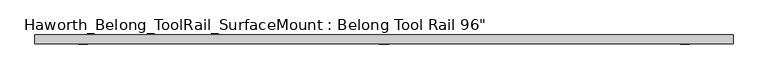
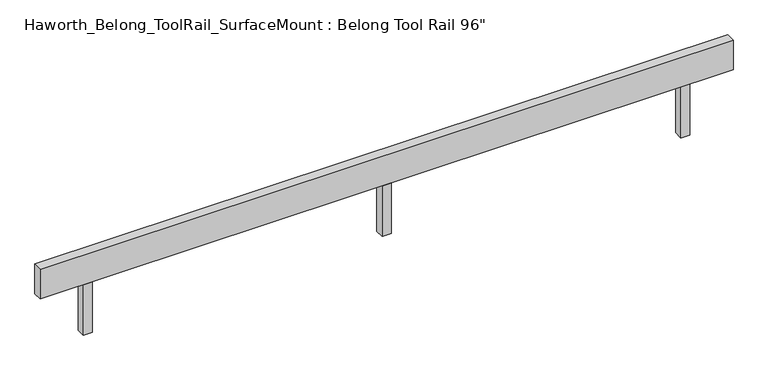
"""IFC4 building model written with IfcOpenShell, lengths in millimetres: furniture geometry."""

from ifc_helpers import new_model, si_unit, frame, origin, place, context, project, spatial, polyline, outline, extrude, source, transform, mapped, element, save


def furniture_a17a7a6d(model_context):
    return source(origin(), model_context, "Body", "SweptSolid", [
        extrude(outline(polyline([(15.875, 15.875), (15.875, -15.875), (-15.875, -15.875), (-15.875, 15.875), (15.875, 15.875)])), frame((0.0, 0.0, 762.0), z_axis=(0.0, 0.0, 1.0), x_axis=(1.0, 0.0, 0.0)), (0.0, 0.0, 1.0), 188.9125),
        extrude(outline(polyline([(1219.2, 15.875), (1219.2, -15.875), (-1219.2, -15.875), (-1219.2, 15.875), (1219.2, 15.875)])), frame((0.0, 0.0, 950.9125), z_axis=(0.0, 0.0, 1.0), x_axis=(1.0, 0.0, 0.0)), (0.0, 0.0, 1.0), 111.125),
        extrude(outline(polyline([(-1066.8, 15.875), (-1035.05, 15.875), (-1035.05, -15.875), (-1066.8, -15.875), (-1066.8, 15.875)])), frame((0.0, 0.0, 762.0), z_axis=(0.0, 0.0, 1.0), x_axis=(1.0, 0.0, 0.0)), (0.0, 0.0, 1.0), 188.9125),
        extrude(outline(polyline([(1035.05, 15.875), (1066.8, 15.875), (1066.8, -15.875), (1035.05, -15.875), (1035.05, 15.875)])), frame((0.0, 0.0, 762.0), z_axis=(0.0, 0.0, 1.0), x_axis=(1.0, 0.0, 0.0)), (0.0, 0.0, 1.0), 188.9125),
    ])


if __name__ == "__main__":
    model = new_model("IFC4")
    model_context = context("Model", 3, world=origin())
    ifc_project = project(units=[si_unit("LENGTHUNIT", "METRE", prefix="MILLI")], contexts=[model_context])
    site = spatial("IfcSite", under=ifc_project)
    building = spatial("IfcBuilding", under=site)
    placement = place(None, origin())
    furniture_shape = furniture_a17a7a6d(model_context)
    element("IfcFurniture", 1, ObjectType="Haworth_Belong_ToolRail_SurfaceMount : Belong Tool Rail 96\"", at=placement, inside=building, context=model_context, shape_type="MappedRepresentation", body=[
        mapped(furniture_shape, transform((0.0, 0.0, 0.0), x_axis=(1.0, 0.0, 0.0), y_axis=(0.0, 1.0, 0.0), z_axis=(0.0, 0.0, 1.0))),
    ])
    save(model, "model.ifc")
